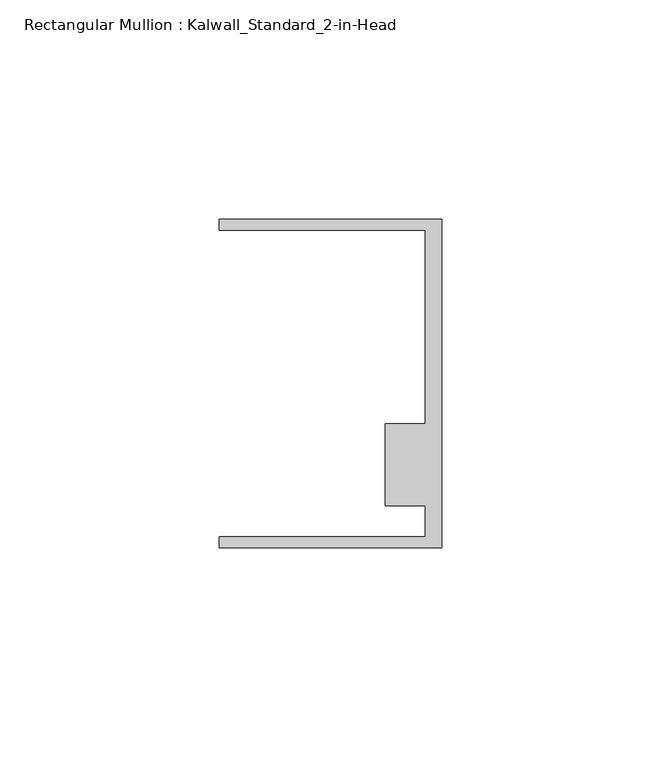
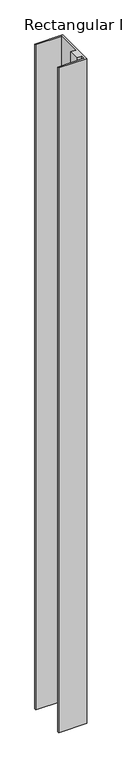
"""IFC4 building model written with IfcOpenShell, lengths in millimetres: member geometry, Rectangular Mullion : Kalwall_Standard_2-in-Head."""

from ifc_helpers import new_model, si_unit, frame, origin, place, context, project, spatial, polyline, outline, extrude, source, transform, mapped, element, save


def rectangular_mullion_kalwall_standard_2_in_head_14f60793(model_context):
    return source(origin(), model_context, "Body", "SweptSolid", [
        extrude(outline(polyline([(0.0, -37.5776386), (-50.8, -37.5776386), (-50.8, -35.0376386), (-3.7084, -35.0376386), (-3.7084, -27.8888568), (-12.8272539, -27.8888568), (-12.8272539, -9.1879886), (-3.7084, -9.1879886), (-3.7084, 34.9623614), (-50.8, 34.9623614), (-50.8, 37.5023614), (0.0, 37.5023614), (0.0, -37.5776386)])), frame((0.0, 0.0, -1280.2068), z_axis=(0.0, 0.0, 1.0), x_axis=(1.0, 0.0, 0.0)), (0.0, 0.0, 1.0), 1280.2068),
    ])


if __name__ == "__main__":
    model = new_model("IFC4")
    model_context = context("Model", 3, world=origin())
    ifc_project = project(units=[si_unit("LENGTHUNIT", "METRE", prefix="MILLI")], contexts=[model_context])
    site = spatial("IfcSite", under=ifc_project)
    building = spatial("IfcBuilding", under=site)
    placement = place(None, origin())
    rectangular_mullion_kalwall_standard_2_in_head_shape = rectangular_mullion_kalwall_standard_2_in_head_14f60793(model_context)
    element("IfcMember", 1, ObjectType="Rectangular Mullion : Kalwall_Standard_2-in-Head", at=placement, inside=building, context=model_context, shape_type="MappedRepresentation", body=[
        mapped(rectangular_mullion_kalwall_standard_2_in_head_shape, transform((0.0, 0.0, 0.0), x_axis=(1.0, 0.0, 0.0), y_axis=(0.0, 1.0, 0.0), z_axis=(0.0, 0.0, 1.0))),
    ])
    save(model, "model.ifc")
